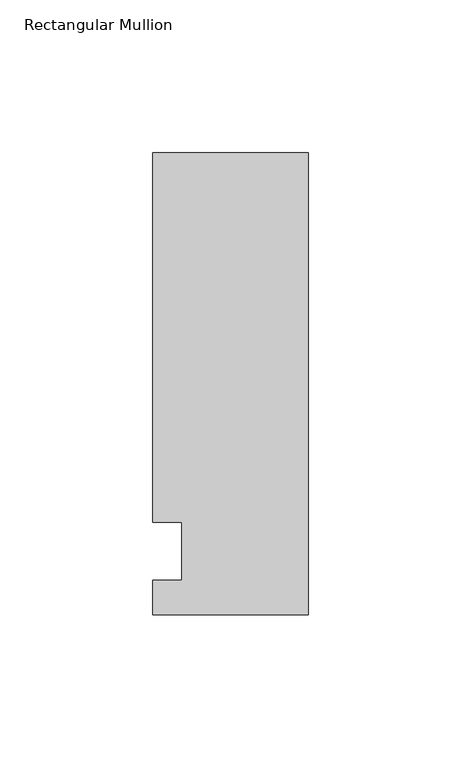
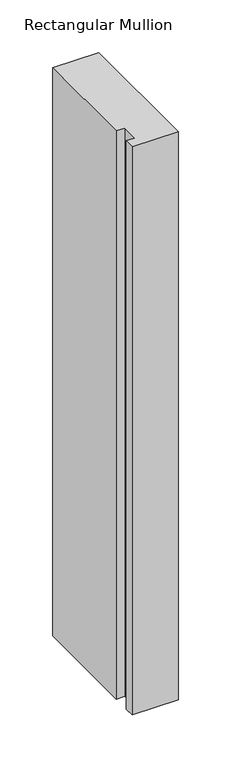
"""IFC4 building model written with IfcOpenShell, lengths in millimetres: member geometry, Rectangular Mullion."""

import ifcopenshell
import ifcopenshell.guid

model = None  # the IFC model being written
_history = None  # IfcOwnerHistory: only IFC2X3 demands one
_inside = {}  # id of a spatial element -> (the spatial element, [elements in it])
_under = {}  # id of a project, library or spatial element -> (it, [spatial elements below it])
_declared = {}  # id of a project -> (the project, [libraries it declares])
_typed = {}  # id of a type object -> (the type object, [elements of that type])
_made_of = {}  # id of a material, layer set ... -> (it, [elements and type objects made of it])


def new_model(schema):
    """Start an empty IFC model of exactly this schema.

    Asked for "IFC4X3", IfcOpenShell would pick the latest addendum, in which some entities
    have other attributes; the version numbers below select the first issue.
    IFC2X3 requires an IfcOwnerHistory on every rooted entity: one is made here for all.
    """
    global model, _history
    if schema == "IFC4X3":
        model = ifcopenshell.file(schema_version=(4, 3, 0, 0))
    else:
        model = ifcopenshell.file(schema=schema)
    _inside.clear()
    _under.clear()
    _declared.clear()
    _typed.clear()
    _made_of.clear()
    _history = None
    if model.schema == "IFC2X3":
        org = make("IfcOrganization", Name="unknown")
        user = make(
            "IfcPersonAndOrganization",
            ThePerson=make("IfcPerson", FamilyName="unknown"),
            TheOrganization=org,
        )
        app = make(
            "IfcApplication",
            ApplicationDeveloper=org,
            Version="unknown",
            ApplicationFullName="unknown",
            ApplicationIdentifier="unknown",
        )
        _history = make(
            "IfcOwnerHistory",
            OwningUser=user,
            OwningApplication=app,
            ChangeAction="ADDED",
            CreationDate=0,
        )
    return model


def make(cls, **values):
    """One entity of the class cls with the attributes given. An attribute that is None is left unset."""
    return model.create_entity(
        cls, **{name: value for name, value in values.items() if value is not None}
    )


def rooted(cls, **values):
    """An entity with a GlobalId (a new one), such as an element, a storey or a relation."""
    return make(cls, GlobalId=ifcopenshell.guid.new(), OwnerHistory=_history, **values)


def si_unit(unit_type, name, prefix=None):
    """IfcSIUnit, for example si_unit("LENGTHUNIT", "METRE", prefix="MILLI")."""
    return make("IfcSIUnit", UnitType=unit_type, Prefix=prefix, Name=name)


def assignment(units):
    """IfcUnitAssignment: the units of a project."""
    return None if units is None else make("IfcUnitAssignment", Units=units)


def point(xyz):
    """IfcCartesianPoint."""
    return None if xyz is None else make("IfcCartesianPoint", Coordinates=xyz)


def direction(xyz):
    """IfcDirection."""
    return None if xyz is None else make("IfcDirection", DirectionRatios=xyz)


def frame(location, z_axis=None, x_axis=None):
    """IfcAxis2Placement3D, a coordinate frame: its origin and axes. An axis left out is left unset."""
    return make(
        "IfcAxis2Placement3D",
        Location=point(location),
        Axis=direction(z_axis),
        RefDirection=direction(x_axis),
    )


def origin():
    """The frame at (0, 0, 0) with its axes left unset."""
    return frame((0.0, 0.0, 0.0))


def place(relative_to, where):
    """IfcLocalPlacement: puts the frame where relative to a parent placement (None: the world)."""
    return make(
        "IfcLocalPlacement", PlacementRelTo=relative_to, RelativePlacement=where
    )


def context(
    kind, dimensions, precision=None, world=None, true_north=None, identifier=None
):
    """IfcGeometricRepresentationContext, for example the 3D "Model" context."""
    return make(
        "IfcGeometricRepresentationContext",
        ContextIdentifier=identifier,
        ContextType=kind,
        CoordinateSpaceDimension=dimensions,
        Precision=precision,
        WorldCoordinateSystem=world,
        TrueNorth=true_north,
    )


def project(units=None, contexts=None):
    """IfcProject with its units and contexts."""
    return rooted(
        "IfcProject",
        Name="project",
        RepresentationContexts=contexts,
        UnitsInContext=assignment(units),
    )


def spatial(cls, under=None, at=None, **own):
    """A site, building, storey or space (cls), placed at a placement, below another one or the project."""
    s = rooted(cls, ObjectPlacement=at, **own)
    if under is not None:
        _under.setdefault(under.id(), (under, []))[1].append(s)
    return s


def polyline(points):
    """IfcPolyline through the points."""
    return make("IfcPolyline", Points=[point(p) for p in points])


def outline(outer, holes=None, kind="AREA"):
    """IfcArbitraryClosedProfileDef: a profile drawn as a closed curve; with holes, ...WithVoids."""
    if holes is None:
        return make("IfcArbitraryClosedProfileDef", ProfileType=kind, OuterCurve=outer)
    return make(
        "IfcArbitraryProfileDefWithVoids",
        ProfileType=kind,
        OuterCurve=outer,
        InnerCurves=holes,
    )


def extrude(swept, where, along, depth):
    """IfcExtrudedAreaSolid: the profile swept, set in the frame where, extruded along a direction by depth."""
    return make(
        "IfcExtrudedAreaSolid",
        SweptArea=swept,
        Position=where,
        ExtrudedDirection=direction(along),
        Depth=depth,
    )


def shape(context_of_items, identifier, shape_type, items):
    """IfcShapeRepresentation: the items that make up one representation, for example the "Body"."""
    return make(
        "IfcShapeRepresentation",
        ContextOfItems=context_of_items,
        RepresentationIdentifier=identifier,
        RepresentationType=shape_type,
        Items=items,
    )


def source(mapping_origin, context_of_items, identifier, shape_type, items):
    """IfcRepresentationMap: a shape defined once, which mapped items show again and again."""
    return make(
        "IfcRepresentationMap",
        MappingOrigin=mapping_origin,
        MappedRepresentation=shape(context_of_items, identifier, shape_type, items),
    )


def transform(
    local_origin,
    x_axis=None,
    y_axis=None,
    z_axis=None,
    scale=None,
    scale2=None,
    scale3=None,
    uniform=True,
):
    """IfcCartesianTransformationOperator3D, or its non-uniform kind. x_axis, y_axis, z_axis: its Axis1, 2, 3."""
    if uniform:
        return make(
            "IfcCartesianTransformationOperator3D",
            Axis1=direction(x_axis),
            Axis2=direction(y_axis),
            LocalOrigin=point(local_origin),
            Scale=scale,
            Axis3=direction(z_axis),
        )
    return make(
        "IfcCartesianTransformationOperator3DnonUniform",
        Axis1=direction(x_axis),
        Axis2=direction(y_axis),
        LocalOrigin=point(local_origin),
        Scale=scale,
        Axis3=direction(z_axis),
        Scale2=scale2,
        Scale3=scale3,
    )


def mapped(mapping_source, mapping_target):
    """IfcMappedItem: shows the shape of a source again, moved by a transform."""
    return make(
        "IfcMappedItem", MappingSource=mapping_source, MappingTarget=mapping_target
    )


def made_of(thing, what):
    """Note that an element or type object is made of a material, layer set ...; save() writes the relation."""
    if what is not None:
        _made_of.setdefault(what.id(), (what, []))[1].append(thing)
    return thing


def element(
    cls,
    number,
    at=None,
    inside=None,
    cuts=None,
    type_object=None,
    material=None,
    context=None,
    identifier="Body",
    shape_type=None,
    held_by="IfcProductDefinitionShape",
    body=None,
    shapes=None,
    **own,
):
    """One element of the class cls, such as IfcWall. Its Tag is "e" and its number.

    at: its placement. inside: the storey or other place that contains it. cuts: it is an
    opening in that element (IfcRelVoidsElement). A single representation is given by context,
    identifier, shape_type and body (its items); several are given by shapes. held_by: the class
    of the entity that holds the representations. save() writes the other relations.
    """
    e = rooted(cls, Tag="e%d" % number, ObjectPlacement=at, **own)
    if body is not None:
        shapes = [shape(context, identifier, shape_type, body)]
    if shapes is not None:
        e.Representation = make(held_by, Representations=shapes)
    if inside is not None:
        _inside.setdefault(inside.id(), (inside, []))[1].append(e)
    if cuts is not None:
        rooted(
            "IfcRelVoidsElement", RelatingBuildingElement=cuts, RelatedOpeningElement=e
        )
    if type_object is not None:
        _typed.setdefault(type_object.id(), (type_object, []))[1].append(e)
    return made_of(e, material)


def aggregate(whole, parts):
    """IfcRelAggregates: a whole, such as a stair, and the parts it consists of."""
    return rooted("IfcRelAggregates", RelatingObject=whole, RelatedObjects=parts)


def save(model, path):
    """Write the relations noted so far, then the file.

    IfcRelAggregates (storeys below a building ...), IfcRelContainedInSpatialStructure (elements
    in a storey), IfcRelDefinesByType, IfcRelAssociatesMaterial and IfcRelDeclares: one each for
    every whole, place, type object, material and project.
    """
    for whole, parts in _under.values():
        aggregate(whole, parts)
    for where, things in _inside.values():
        rooted(
            "IfcRelContainedInSpatialStructure",
            RelatedElements=things,
            RelatingStructure=where,
        )
    for kind, things in _typed.values():
        rooted("IfcRelDefinesByType", RelatedObjects=things, RelatingType=kind)
    for what, things in _made_of.values():
        rooted("IfcRelAssociatesMaterial", RelatedObjects=things, RelatingMaterial=what)
    for by, libraries in _declared.values():
        rooted("IfcRelDeclares", RelatingContext=by, RelatedDefinitions=libraries)
    model.write(path)


def rectangular_mullion_39c1006c(model_context):
    return source(origin(), model_context, "Body", "SweptSolid", [
        extrude(outline(polyline([(-50.8, -25.5984375), (-50.8, -14.2875), (-41.275, -14.2875), (-41.275, 4.7625), (-50.8, 4.7625), (-50.8, 125.6109375), (0.0, 125.6109375), (0.0, -25.5984375), (-50.8, -25.5984375)])), frame((0.0, 0.0, -660.4), z_axis=(0.0, 0.0, 1.0), x_axis=(1.0, 0.0, 0.0)), (0.0, 0.0, 1.0), 660.4),
    ])


if __name__ == "__main__":
    model = new_model("IFC4")
    model_context = context("Model", 3, world=origin())
    ifc_project = project(units=[si_unit("LENGTHUNIT", "METRE", prefix="MILLI")], contexts=[model_context])
    site = spatial("IfcSite", under=ifc_project)
    building = spatial("IfcBuilding", under=site)
    placement = place(None, origin())
    rectangular_mullion_shape = rectangular_mullion_39c1006c(model_context)
    element("IfcMember", 1, ObjectType="Rectangular Mullion", at=placement, inside=building, context=model_context, shape_type="MappedRepresentation", body=[
        mapped(rectangular_mullion_shape, transform((0.0, 0.0, 0.0), x_axis=(1.0, 0.0, 0.0), y_axis=(0.0, 1.0, 0.0), z_axis=(0.0, 0.0, 1.0))),
    ])
    save(model, "model.ifc")
